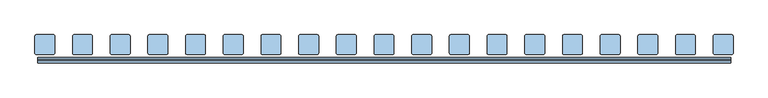
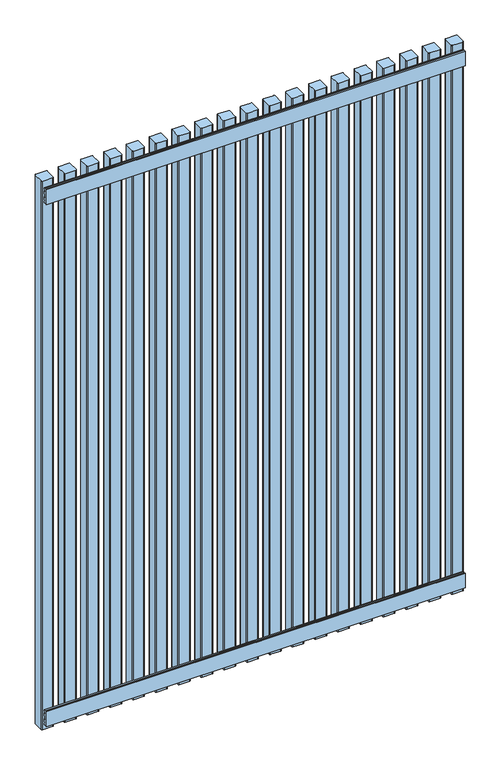
"""IFC4 building model written with IfcOpenShell, lengths in millimetres: window geometry."""

from ifc_helpers import new_model, si_unit, point, frame, frame_2d, origin, place, context, project, spatial, polyline, circle_curve, trimmed, segment, composite_curve, outline, extrude, source, transform, mapped, element, save


def window_22850004(model_context):
    return source(origin(), model_context, "Body", "SweptSolid", [
        extrude(outline(polyline([(100.0, 2116.0), (104.0, 2116.0), (104.0, 2112.0), (108.0, 2112.0), (108.0, 2116.0), (112.0, 2116.0), (112.0, 2111.0), (109.0, 2111.0), (109.0, 2106.0), (112.0, 2106.0), (112.0, 2093.5), (109.0, 2093.5), (109.0, 2083.5), (112.0, 2083.5), (112.0, 2071.0), (109.0, 2071.0), (109.0, 2066.0), (112.0, 2066.0), (112.0, 2061.0), (108.0, 2061.0), (108.0, 2065.0), (104.0, 2065.0), (104.0, 2061.0), (100.0, 2061.0), (100.0, 2116.0)])), frame((-735.5, 0.0, 0.0), z_axis=(1.0, 0.0, 0.0), x_axis=(0.0, 1.0, 0.0)), (0.0, 0.0, 1.0), 1471.0),
        extrude(outline(polyline([(100.0, 177.0), (104.0, 177.0), (104.0, 173.0), (108.0, 173.0), (108.0, 177.0), (112.0, 177.0), (112.0, 172.0), (109.0, 172.0), (109.0, 167.0), (112.0, 167.0), (112.0, 154.5), (109.0, 154.5), (109.0, 144.5), (112.0, 144.5), (112.0, 132.0), (109.0, 132.0), (109.0, 127.0), (112.0, 127.0), (112.0, 122.0), (108.0, 122.0), (108.0, 126.0), (104.0, 126.0), (104.0, 122.0), (100.0, 122.0), (100.0, 177.0)])), frame((-735.5, 0.0, 0.0), z_axis=(1.0, 0.0, 0.0), x_axis=(0.0, 1.0, 0.0)), (0.0, 0.0, 1.0), 1471.0),
        extrude(outline(composite_curve([segment(polyline([(740.995806, 157.0), (740.995806, 121.0)]), True, "CONTINUOUS"), segment(trimmed(circle_curve(frame_2d((737.995806, 121.0)), 3.0), [point((740.995806, 121.0))], [point((737.995806, 118.0))], False, "CARTESIAN"), True, "CONTINUOUS"), segment(polyline([(737.995806, 118.0), (701.995806, 118.0)]), True, "CONTINUOUS"), segment(trimmed(circle_curve(frame_2d((701.995806, 121.0)), 3.0), [point((701.995806, 118.0))], [point((698.995806, 121.0))], False, "CARTESIAN"), True, "CONTINUOUS"), segment(polyline([(698.995806, 121.0), (698.995806, 157.0)]), True, "CONTINUOUS"), segment(trimmed(circle_curve(frame_2d((701.995806, 157.0)), 3.0), [point((698.995806, 157.0))], [point((701.995806, 160.0))], False, "CARTESIAN"), True, "CONTINUOUS"), segment(polyline([(701.995806, 160.0), (737.995806, 160.0)]), True, "CONTINUOUS"), segment(trimmed(circle_curve(frame_2d((737.995806, 157.0)), 3.0), [point((737.995806, 160.0))], [point((740.995806, 157.0))], False, "CARTESIAN"), True, "CONTINUOUS")], self_intersect=False)), frame((0.0, 0.0, 100.0), z_axis=(0.0, 0.0, 1.0), x_axis=(1.0, 0.0, 0.0)), (0.0, 0.0, 1.0), 2038.0),
        extrude(outline(composite_curve([segment(polyline([(660.995806, 157.0), (660.995806, 121.0)]), True, "CONTINUOUS"), segment(trimmed(circle_curve(frame_2d((657.995806, 121.0)), 3.0), [point((660.995806, 121.0))], [point((657.995806, 118.0))], False, "CARTESIAN"), True, "CONTINUOUS"), segment(polyline([(657.995806, 118.0), (621.995806, 118.0)]), True, "CONTINUOUS"), segment(trimmed(circle_curve(frame_2d((621.995806, 121.0)), 3.0), [point((621.995806, 118.0))], [point((618.995806, 121.0))], False, "CARTESIAN"), True, "CONTINUOUS"), segment(polyline([(618.995806, 121.0), (618.995806, 157.0)]), True, "CONTINUOUS"), segment(trimmed(circle_curve(frame_2d((621.995806, 157.0)), 3.0), [point((618.995806, 157.0))], [point((621.995806, 160.0))], False, "CARTESIAN"), True, "CONTINUOUS"), segment(polyline([(621.995806, 160.0), (657.995806, 160.0)]), True, "CONTINUOUS"), segment(trimmed(circle_curve(frame_2d((657.995806, 157.0)), 3.0), [point((657.995806, 160.0))], [point((660.995806, 157.0))], False, "CARTESIAN"), True, "CONTINUOUS")], self_intersect=False)), frame((0.0, 0.0, 100.0), z_axis=(0.0, 0.0, 1.0), x_axis=(1.0, 0.0, 0.0)), (0.0, 0.0, 1.0), 2038.0),
        extrude(outline(composite_curve([segment(polyline([(580.995806, 157.0), (580.995806, 121.0)]), True, "CONTINUOUS"), segment(trimmed(circle_curve(frame_2d((577.995806, 121.0)), 3.0), [point((580.995806, 121.0))], [point((577.995806, 118.0))], False, "CARTESIAN"), True, "CONTINUOUS"), segment(polyline([(577.995806, 118.0), (541.995806, 118.0)]), True, "CONTINUOUS"), segment(trimmed(circle_curve(frame_2d((541.995806, 121.0)), 3.0), [point((541.995806, 118.0))], [point((538.995806, 121.0))], False, "CARTESIAN"), True, "CONTINUOUS"), segment(polyline([(538.995806, 121.0), (538.995806, 157.0)]), True, "CONTINUOUS"), segment(trimmed(circle_curve(frame_2d((541.995806, 157.0)), 3.0), [point((538.995806, 157.0))], [point((541.995806, 160.0))], False, "CARTESIAN"), True, "CONTINUOUS"), segment(polyline([(541.995806, 160.0), (577.995806, 160.0)]), True, "CONTINUOUS"), segment(trimmed(circle_curve(frame_2d((577.995806, 157.0)), 3.0), [point((577.995806, 160.0))], [point((580.995806, 157.0))], False, "CARTESIAN"), True, "CONTINUOUS")], self_intersect=False)), frame((0.0, 0.0, 100.0), z_axis=(0.0, 0.0, 1.0), x_axis=(1.0, 0.0, 0.0)), (0.0, 0.0, 1.0), 2038.0),
        extrude(outline(composite_curve([segment(polyline([(500.995806, 157.0), (500.995806, 121.0)]), True, "CONTINUOUS"), segment(trimmed(circle_curve(frame_2d((497.995806, 121.0)), 3.0), [point((500.995806, 121.0))], [point((497.995806, 118.0))], False, "CARTESIAN"), True, "CONTINUOUS"), segment(polyline([(497.995806, 118.0), (461.995806, 118.0)]), True, "CONTINUOUS"), segment(trimmed(circle_curve(frame_2d((461.995806, 121.0)), 3.0), [point((461.995806, 118.0))], [point((458.995806, 121.0))], False, "CARTESIAN"), True, "CONTINUOUS"), segment(polyline([(458.995806, 121.0), (458.995806, 157.0)]), True, "CONTINUOUS"), segment(trimmed(circle_curve(frame_2d((461.995806, 157.0)), 3.0), [point((458.995806, 157.0))], [point((461.995806, 160.0))], False, "CARTESIAN"), True, "CONTINUOUS"), segment(polyline([(461.995806, 160.0), (497.995806, 160.0)]), True, "CONTINUOUS"), segment(trimmed(circle_curve(frame_2d((497.995806, 157.0)), 3.0), [point((497.995806, 160.0))], [point((500.995806, 157.0))], False, "CARTESIAN"), True, "CONTINUOUS")], self_intersect=False)), frame((0.0, 0.0, 100.0), z_axis=(0.0, 0.0, 1.0), x_axis=(1.0, 0.0, 0.0)), (0.0, 0.0, 1.0), 2038.0),
        extrude(outline(composite_curve([segment(polyline([(420.995806, 157.0), (420.995806, 121.0)]), True, "CONTINUOUS"), segment(trimmed(circle_curve(frame_2d((417.995806, 121.0)), 3.0), [point((420.995806, 121.0))], [point((417.995806, 118.0))], False, "CARTESIAN"), True, "CONTINUOUS"), segment(polyline([(417.995806, 118.0), (381.995806, 118.0)]), True, "CONTINUOUS"), segment(trimmed(circle_curve(frame_2d((381.995806, 121.0)), 3.0), [point((381.995806, 118.0))], [point((378.995806, 121.0))], False, "CARTESIAN"), True, "CONTINUOUS"), segment(polyline([(378.995806, 121.0), (378.995806, 157.0)]), True, "CONTINUOUS"), segment(trimmed(circle_curve(frame_2d((381.995806, 157.0)), 3.0), [point((378.995806, 157.0))], [point((381.995806, 160.0))], False, "CARTESIAN"), True, "CONTINUOUS"), segment(polyline([(381.995806, 160.0), (417.995806, 160.0)]), True, "CONTINUOUS"), segment(trimmed(circle_curve(frame_2d((417.995806, 157.0)), 3.0), [point((417.995806, 160.0))], [point((420.995806, 157.0))], False, "CARTESIAN"), True, "CONTINUOUS")], self_intersect=False)), frame((0.0, 0.0, 100.0), z_axis=(0.0, 0.0, 1.0), x_axis=(1.0, 0.0, 0.0)), (0.0, 0.0, 1.0), 2038.0),
        extrude(outline(composite_curve([segment(polyline([(340.995806, 157.0), (340.995806, 121.0)]), True, "CONTINUOUS"), segment(trimmed(circle_curve(frame_2d((337.995806, 121.0)), 3.0), [point((340.995806, 121.0))], [point((337.995806, 118.0))], False, "CARTESIAN"), True, "CONTINUOUS"), segment(polyline([(337.995806, 118.0), (301.995806, 118.0)]), True, "CONTINUOUS"), segment(trimmed(circle_curve(frame_2d((301.995806, 121.0)), 3.0), [point((301.995806, 118.0))], [point((298.995806, 121.0))], False, "CARTESIAN"), True, "CONTINUOUS"), segment(polyline([(298.995806, 121.0), (298.995806, 157.0)]), True, "CONTINUOUS"), segment(trimmed(circle_curve(frame_2d((301.995806, 157.0)), 3.0), [point((298.995806, 157.0))], [point((301.995806, 160.0))], False, "CARTESIAN"), True, "CONTINUOUS"), segment(polyline([(301.995806, 160.0), (337.995806, 160.0)]), True, "CONTINUOUS"), segment(trimmed(circle_curve(frame_2d((337.995806, 157.0)), 3.0), [point((337.995806, 160.0))], [point((340.995806, 157.0))], False, "CARTESIAN"), True, "CONTINUOUS")], self_intersect=False)), frame((0.0, 0.0, 100.0), z_axis=(0.0, 0.0, 1.0), x_axis=(1.0, 0.0, 0.0)), (0.0, 0.0, 1.0), 2038.0),
        extrude(outline(composite_curve([segment(polyline([(260.995806, 157.0), (260.995806, 121.0)]), True, "CONTINUOUS"), segment(trimmed(circle_curve(frame_2d((257.995806, 121.0)), 3.0), [point((260.995806, 121.0))], [point((257.995806, 118.0))], False, "CARTESIAN"), True, "CONTINUOUS"), segment(polyline([(257.995806, 118.0), (221.995806, 118.0)]), True, "CONTINUOUS"), segment(trimmed(circle_curve(frame_2d((221.995806, 121.0)), 3.0), [point((221.995806, 118.0))], [point((218.995806, 121.0))], False, "CARTESIAN"), True, "CONTINUOUS"), segment(polyline([(218.995806, 121.0), (218.995806, 157.0)]), True, "CONTINUOUS"), segment(trimmed(circle_curve(frame_2d((221.995806, 157.0)), 3.0), [point((218.995806, 157.0))], [point((221.995806, 160.0))], False, "CARTESIAN"), True, "CONTINUOUS"), segment(polyline([(221.995806, 160.0), (257.995806, 160.0)]), True, "CONTINUOUS"), segment(trimmed(circle_curve(frame_2d((257.995806, 157.0)), 3.0), [point((257.995806, 160.0))], [point((260.995806, 157.0))], False, "CARTESIAN"), True, "CONTINUOUS")], self_intersect=False)), frame((0.0, 0.0, 100.0), z_axis=(0.0, 0.0, 1.0), x_axis=(1.0, 0.0, 0.0)), (0.0, 0.0, 1.0), 2038.0),
        extrude(outline(composite_curve([segment(polyline([(180.995806, 157.0), (180.995806, 121.0)]), True, "CONTINUOUS"), segment(trimmed(circle_curve(frame_2d((177.995806, 121.0)), 3.0), [point((180.995806, 121.0))], [point((177.995806, 118.0))], False, "CARTESIAN"), True, "CONTINUOUS"), segment(polyline([(177.995806, 118.0), (141.995806, 118.0)]), True, "CONTINUOUS"), segment(trimmed(circle_curve(frame_2d((141.995806, 121.0)), 3.0), [point((141.995806, 118.0))], [point((138.995806, 121.0))], False, "CARTESIAN"), True, "CONTINUOUS"), segment(polyline([(138.995806, 121.0), (138.995806, 157.0)]), True, "CONTINUOUS"), segment(trimmed(circle_curve(frame_2d((141.995806, 157.0)), 3.0), [point((138.995806, 157.0))], [point((141.995806, 160.0))], False, "CARTESIAN"), True, "CONTINUOUS"), segment(polyline([(141.995806, 160.0), (177.995806, 160.0)]), True, "CONTINUOUS"), segment(trimmed(circle_curve(frame_2d((177.995806, 157.0)), 3.0), [point((177.995806, 160.0))], [point((180.995806, 157.0))], False, "CARTESIAN"), True, "CONTINUOUS")], self_intersect=False)), frame((0.0, 0.0, 100.0), z_axis=(0.0, 0.0, 1.0), x_axis=(1.0, 0.0, 0.0)), (0.0, 0.0, 1.0), 2038.0),
        extrude(outline(composite_curve([segment(polyline([(100.995806, 157.0), (100.995806, 121.0)]), True, "CONTINUOUS"), segment(trimmed(circle_curve(frame_2d((97.995806, 121.0)), 3.0), [point((100.995806, 121.0))], [point((97.995806, 118.0))], False, "CARTESIAN"), True, "CONTINUOUS"), segment(polyline([(97.995806, 118.0), (61.995806, 118.0)]), True, "CONTINUOUS"), segment(trimmed(circle_curve(frame_2d((61.995806, 121.0)), 3.0), [point((61.995806, 118.0))], [point((58.995806, 121.0))], False, "CARTESIAN"), True, "CONTINUOUS"), segment(polyline([(58.995806, 121.0), (58.995806, 157.0)]), True, "CONTINUOUS"), segment(trimmed(circle_curve(frame_2d((61.995806, 157.0)), 3.0), [point((58.995806, 157.0))], [point((61.995806, 160.0))], False, "CARTESIAN"), True, "CONTINUOUS"), segment(polyline([(61.995806, 160.0), (97.995806, 160.0)]), True, "CONTINUOUS"), segment(trimmed(circle_curve(frame_2d((97.995806, 157.0)), 3.0), [point((97.995806, 160.0))], [point((100.995806, 157.0))], False, "CARTESIAN"), True, "CONTINUOUS")], self_intersect=False)), frame((0.0, 0.0, 100.0), z_axis=(0.0, 0.0, 1.0), x_axis=(1.0, 0.0, 0.0)), (0.0, 0.0, 1.0), 2038.0),
        extrude(outline(composite_curve([segment(polyline([(20.995806, 157.0), (20.995806, 121.0)]), True, "CONTINUOUS"), segment(trimmed(circle_curve(frame_2d((17.995806, 121.0)), 3.0), [point((20.995806, 121.0))], [point((17.995806, 118.0))], False, "CARTESIAN"), True, "CONTINUOUS"), segment(polyline([(17.995806, 118.0), (-18.004194, 118.0)]), True, "CONTINUOUS"), segment(trimmed(circle_curve(frame_2d((-18.004194, 121.0)), 3.0), [point((-18.004194, 118.0))], [point((-21.004194, 121.0))], False, "CARTESIAN"), True, "CONTINUOUS"), segment(polyline([(-21.004194, 121.0), (-21.004194, 157.0)]), True, "CONTINUOUS"), segment(trimmed(circle_curve(frame_2d((-18.004194, 157.0)), 3.0), [point((-21.004194, 157.0))], [point((-18.004194, 160.0))], False, "CARTESIAN"), True, "CONTINUOUS"), segment(polyline([(-18.004194, 160.0), (17.995806, 160.0)]), True, "CONTINUOUS"), segment(trimmed(circle_curve(frame_2d((17.995806, 157.0)), 3.0), [point((17.995806, 160.0))], [point((20.995806, 157.0))], False, "CARTESIAN"), True, "CONTINUOUS")], self_intersect=False)), frame((0.0, 0.0, 100.0), z_axis=(0.0, 0.0, 1.0), x_axis=(1.0, 0.0, 0.0)), (0.0, 0.0, 1.0), 2038.0),
        extrude(outline(composite_curve([segment(polyline([(-59.004194, 157.0), (-59.004194, 121.0)]), True, "CONTINUOUS"), segment(trimmed(circle_curve(frame_2d((-62.004194, 121.0)), 3.0), [point((-59.004194, 121.0))], [point((-62.004194, 118.0))], False, "CARTESIAN"), True, "CONTINUOUS"), segment(polyline([(-62.004194, 118.0), (-98.004194, 118.0)]), True, "CONTINUOUS"), segment(trimmed(circle_curve(frame_2d((-98.004194, 121.0)), 3.0), [point((-98.004194, 118.0))], [point((-101.004194, 121.0))], False, "CARTESIAN"), True, "CONTINUOUS"), segment(polyline([(-101.004194, 121.0), (-101.004194, 157.0)]), True, "CONTINUOUS"), segment(trimmed(circle_curve(frame_2d((-98.004194, 157.0)), 3.0), [point((-101.004194, 157.0))], [point((-98.004194, 160.0))], False, "CARTESIAN"), True, "CONTINUOUS"), segment(polyline([(-98.004194, 160.0), (-62.004194, 160.0)]), True, "CONTINUOUS"), segment(trimmed(circle_curve(frame_2d((-62.004194, 157.0)), 3.0), [point((-62.004194, 160.0))], [point((-59.004194, 157.0))], False, "CARTESIAN"), True, "CONTINUOUS")], self_intersect=False)), frame((0.0, 0.0, 100.0), z_axis=(0.0, 0.0, 1.0), x_axis=(1.0, 0.0, 0.0)), (0.0, 0.0, 1.0), 2038.0),
        extrude(outline(composite_curve([segment(polyline([(-139.004194, 157.0), (-139.004194, 121.0)]), True, "CONTINUOUS"), segment(trimmed(circle_curve(frame_2d((-142.004194, 121.0)), 3.0), [point((-139.004194, 121.0))], [point((-142.004194, 118.0))], False, "CARTESIAN"), True, "CONTINUOUS"), segment(polyline([(-142.004194, 118.0), (-178.004194, 118.0)]), True, "CONTINUOUS"), segment(trimmed(circle_curve(frame_2d((-178.004194, 121.0)), 3.0), [point((-178.004194, 118.0))], [point((-181.004194, 121.0))], False, "CARTESIAN"), True, "CONTINUOUS"), segment(polyline([(-181.004194, 121.0), (-181.004194, 157.0)]), True, "CONTINUOUS"), segment(trimmed(circle_curve(frame_2d((-178.004194, 157.0)), 3.0), [point((-181.004194, 157.0))], [point((-178.004194, 160.0))], False, "CARTESIAN"), True, "CONTINUOUS"), segment(polyline([(-178.004194, 160.0), (-142.004194, 160.0)]), True, "CONTINUOUS"), segment(trimmed(circle_curve(frame_2d((-142.004194, 157.0)), 3.0), [point((-142.004194, 160.0))], [point((-139.004194, 157.0))], False, "CARTESIAN"), True, "CONTINUOUS")], self_intersect=False)), frame((0.0, 0.0, 100.0), z_axis=(0.0, 0.0, 1.0), x_axis=(1.0, 0.0, 0.0)), (0.0, 0.0, 1.0), 2038.0),
        extrude(outline(composite_curve([segment(polyline([(-219.004194, 157.0), (-219.004194, 121.0)]), True, "CONTINUOUS"), segment(trimmed(circle_curve(frame_2d((-222.004194, 121.0)), 3.0), [point((-219.004194, 121.0))], [point((-222.004194, 118.0))], False, "CARTESIAN"), True, "CONTINUOUS"), segment(polyline([(-222.004194, 118.0), (-258.004194, 118.0)]), True, "CONTINUOUS"), segment(trimmed(circle_curve(frame_2d((-258.004194, 121.0)), 3.0), [point((-258.004194, 118.0))], [point((-261.004194, 121.0))], False, "CARTESIAN"), True, "CONTINUOUS"), segment(polyline([(-261.004194, 121.0), (-261.004194, 157.0)]), True, "CONTINUOUS"), segment(trimmed(circle_curve(frame_2d((-258.004194, 157.0)), 3.0), [point((-261.004194, 157.0))], [point((-258.004194, 160.0))], False, "CARTESIAN"), True, "CONTINUOUS"), segment(polyline([(-258.004194, 160.0), (-222.004194, 160.0)]), True, "CONTINUOUS"), segment(trimmed(circle_curve(frame_2d((-222.004194, 157.0)), 3.0), [point((-222.004194, 160.0))], [point((-219.004194, 157.0))], False, "CARTESIAN"), True, "CONTINUOUS")], self_intersect=False)), frame((0.0, 0.0, 100.0), z_axis=(0.0, 0.0, 1.0), x_axis=(1.0, 0.0, 0.0)), (0.0, 0.0, 1.0), 2038.0),
        extrude(outline(composite_curve([segment(polyline([(-299.004194, 157.0), (-299.004194, 121.0)]), True, "CONTINUOUS"), segment(trimmed(circle_curve(frame_2d((-302.004194, 121.0)), 3.0), [point((-299.004194, 121.0))], [point((-302.004194, 118.0))], False, "CARTESIAN"), True, "CONTINUOUS"), segment(polyline([(-302.004194, 118.0), (-338.004194, 118.0)]), True, "CONTINUOUS"), segment(trimmed(circle_curve(frame_2d((-338.004194, 121.0)), 3.0), [point((-338.004194, 118.0))], [point((-341.004194, 121.0))], False, "CARTESIAN"), True, "CONTINUOUS"), segment(polyline([(-341.004194, 121.0), (-341.004194, 157.0)]), True, "CONTINUOUS"), segment(trimmed(circle_curve(frame_2d((-338.004194, 157.0)), 3.0), [point((-341.004194, 157.0))], [point((-338.004194, 160.0))], False, "CARTESIAN"), True, "CONTINUOUS"), segment(polyline([(-338.004194, 160.0), (-302.004194, 160.0)]), True, "CONTINUOUS"), segment(trimmed(circle_curve(frame_2d((-302.004194, 157.0)), 3.0), [point((-302.004194, 160.0))], [point((-299.004194, 157.0))], False, "CARTESIAN"), True, "CONTINUOUS")], self_intersect=False)), frame((0.0, 0.0, 100.0), z_axis=(0.0, 0.0, 1.0), x_axis=(1.0, 0.0, 0.0)), (0.0, 0.0, 1.0), 2038.0),
        extrude(outline(composite_curve([segment(polyline([(-379.004194, 157.0), (-379.004194, 121.0)]), True, "CONTINUOUS"), segment(trimmed(circle_curve(frame_2d((-382.004194, 121.0)), 3.0), [point((-379.004194, 121.0))], [point((-382.004194, 118.0))], False, "CARTESIAN"), True, "CONTINUOUS"), segment(polyline([(-382.004194, 118.0), (-418.004194, 118.0)]), True, "CONTINUOUS"), segment(trimmed(circle_curve(frame_2d((-418.004194, 121.0)), 3.0), [point((-418.004194, 118.0))], [point((-421.004194, 121.0))], False, "CARTESIAN"), True, "CONTINUOUS"), segment(polyline([(-421.004194, 121.0), (-421.004194, 157.0)]), True, "CONTINUOUS"), segment(trimmed(circle_curve(frame_2d((-418.004194, 157.0)), 3.0), [point((-421.004194, 157.0))], [point((-418.004194, 160.0))], False, "CARTESIAN"), True, "CONTINUOUS"), segment(polyline([(-418.004194, 160.0), (-382.004194, 160.0)]), True, "CONTINUOUS"), segment(trimmed(circle_curve(frame_2d((-382.004194, 157.0)), 3.0), [point((-382.004194, 160.0))], [point((-379.004194, 157.0))], False, "CARTESIAN"), True, "CONTINUOUS")], self_intersect=False)), frame((0.0, 0.0, 100.0), z_axis=(0.0, 0.0, 1.0), x_axis=(1.0, 0.0, 0.0)), (0.0, 0.0, 1.0), 2038.0),
        extrude(outline(composite_curve([segment(polyline([(-459.004194, 157.0), (-459.004194, 121.0)]), True, "CONTINUOUS"), segment(trimmed(circle_curve(frame_2d((-462.004194, 121.0)), 3.0), [point((-459.004194, 121.0))], [point((-462.004194, 118.0))], False, "CARTESIAN"), True, "CONTINUOUS"), segment(polyline([(-462.004194, 118.0), (-498.004194, 118.0)]), True, "CONTINUOUS"), segment(trimmed(circle_curve(frame_2d((-498.004194, 121.0)), 3.0), [point((-498.004194, 118.0))], [point((-501.004194, 121.0))], False, "CARTESIAN"), True, "CONTINUOUS"), segment(polyline([(-501.004194, 121.0), (-501.004194, 157.0)]), True, "CONTINUOUS"), segment(trimmed(circle_curve(frame_2d((-498.004194, 157.0)), 3.0), [point((-501.004194, 157.0))], [point((-498.004194, 160.0))], False, "CARTESIAN"), True, "CONTINUOUS"), segment(polyline([(-498.004194, 160.0), (-462.004194, 160.0)]), True, "CONTINUOUS"), segment(trimmed(circle_curve(frame_2d((-462.004194, 157.0)), 3.0), [point((-462.004194, 160.0))], [point((-459.004194, 157.0))], False, "CARTESIAN"), True, "CONTINUOUS")], self_intersect=False)), frame((0.0, 0.0, 100.0), z_axis=(0.0, 0.0, 1.0), x_axis=(1.0, 0.0, 0.0)), (0.0, 0.0, 1.0), 2038.0),
        extrude(outline(composite_curve([segment(polyline([(-539.004194, 157.0), (-539.004194, 121.0)]), True, "CONTINUOUS"), segment(trimmed(circle_curve(frame_2d((-542.004194, 121.0)), 3.0), [point((-539.004194, 121.0))], [point((-542.004194, 118.0))], False, "CARTESIAN"), True, "CONTINUOUS"), segment(polyline([(-542.004194, 118.0), (-578.004194, 118.0)]), True, "CONTINUOUS"), segment(trimmed(circle_curve(frame_2d((-578.004194, 121.0)), 3.0), [point((-578.004194, 118.0))], [point((-581.004194, 121.0))], False, "CARTESIAN"), True, "CONTINUOUS"), segment(polyline([(-581.004194, 121.0), (-581.004194, 157.0)]), True, "CONTINUOUS"), segment(trimmed(circle_curve(frame_2d((-578.004194, 157.0)), 3.0), [point((-581.004194, 157.0))], [point((-578.004194, 160.0))], False, "CARTESIAN"), True, "CONTINUOUS"), segment(polyline([(-578.004194, 160.0), (-542.004194, 160.0)]), True, "CONTINUOUS"), segment(trimmed(circle_curve(frame_2d((-542.004194, 157.0)), 3.0), [point((-542.004194, 160.0))], [point((-539.004194, 157.0))], False, "CARTESIAN"), True, "CONTINUOUS")], self_intersect=False)), frame((0.0, 0.0, 100.0), z_axis=(0.0, 0.0, 1.0), x_axis=(1.0, 0.0, 0.0)), (0.0, 0.0, 1.0), 2038.0),
        extrude(outline(composite_curve([segment(polyline([(-619.004194, 157.0), (-619.004194, 121.0)]), True, "CONTINUOUS"), segment(trimmed(circle_curve(frame_2d((-622.004194, 121.0)), 3.0), [point((-619.004194, 121.0))], [point((-622.004194, 118.0))], False, "CARTESIAN"), True, "CONTINUOUS"), segment(polyline([(-622.004194, 118.0), (-658.004194, 118.0)]), True, "CONTINUOUS"), segment(trimmed(circle_curve(frame_2d((-658.004194, 121.0)), 3.0), [point((-658.004194, 118.0))], [point((-661.004194, 121.0))], False, "CARTESIAN"), True, "CONTINUOUS"), segment(polyline([(-661.004194, 121.0), (-661.004194, 157.0)]), True, "CONTINUOUS"), segment(trimmed(circle_curve(frame_2d((-658.004194, 157.0)), 3.0), [point((-661.004194, 157.0))], [point((-658.004194, 160.0))], False, "CARTESIAN"), True, "CONTINUOUS"), segment(polyline([(-658.004194, 160.0), (-622.004194, 160.0)]), True, "CONTINUOUS"), segment(trimmed(circle_curve(frame_2d((-622.004194, 157.0)), 3.0), [point((-622.004194, 160.0))], [point((-619.004194, 157.0))], False, "CARTESIAN"), True, "CONTINUOUS")], self_intersect=False)), frame((0.0, 0.0, 100.0), z_axis=(0.0, 0.0, 1.0), x_axis=(1.0, 0.0, 0.0)), (0.0, 0.0, 1.0), 2038.0),
        extrude(outline(composite_curve([segment(polyline([(-699.0, 157.0), (-699.0, 121.0)]), True, "CONTINUOUS"), segment(trimmed(circle_curve(frame_2d((-702.0, 121.0)), 3.0), [point((-699.0, 121.0))], [point((-702.0, 118.0))], False, "CARTESIAN"), True, "CONTINUOUS"), segment(polyline([(-702.0, 118.0), (-738.0, 118.0)]), True, "CONTINUOUS"), segment(trimmed(circle_curve(frame_2d((-738.0, 121.0)), 3.0), [point((-738.0, 118.0))], [point((-741.0, 121.0))], False, "CARTESIAN"), True, "CONTINUOUS"), segment(polyline([(-741.0, 121.0), (-741.0, 157.0)]), True, "CONTINUOUS"), segment(trimmed(circle_curve(frame_2d((-738.0, 157.0)), 3.0), [point((-741.0, 157.0))], [point((-738.0, 160.0))], False, "CARTESIAN"), True, "CONTINUOUS"), segment(polyline([(-738.0, 160.0), (-702.0, 160.0)]), True, "CONTINUOUS"), segment(trimmed(circle_curve(frame_2d((-702.0, 157.0)), 3.0), [point((-702.0, 160.0))], [point((-699.0, 157.0))], False, "CARTESIAN"), True, "CONTINUOUS")], self_intersect=False)), frame((0.0, 0.0, 100.0), z_axis=(0.0, 0.0, 1.0), x_axis=(1.0, 0.0, 0.0)), (0.0, 0.0, 1.0), 2038.0),
    ])


if __name__ == "__main__":
    model = new_model("IFC4")
    model_context = context("Model", 3, world=origin())
    ifc_project = project(units=[si_unit("LENGTHUNIT", "METRE", prefix="MILLI")], contexts=[model_context])
    site = spatial("IfcSite", under=ifc_project)
    building = spatial("IfcBuilding", under=site)
    placement = place(None, origin())
    window_shape = window_22850004(model_context)
    element("IfcWindow", 1, at=placement, inside=building, context=model_context, shape_type="MappedRepresentation", body=[
        mapped(window_shape, transform((0.0, 0.0, 0.0), x_axis=(1.0, 0.0, 0.0), y_axis=(0.0, 1.0, 0.0), z_axis=(0.0, 0.0, 1.0))),
    ])
    save(model, "model.ifc")
